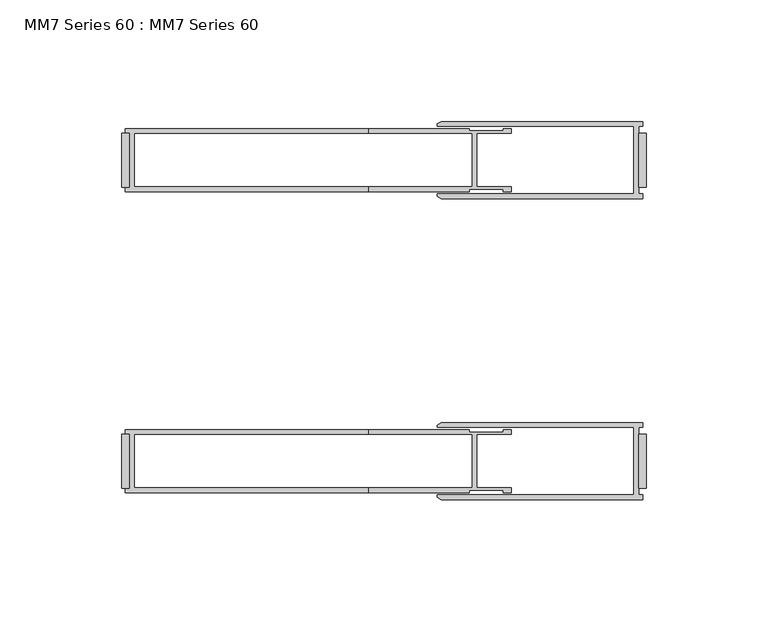
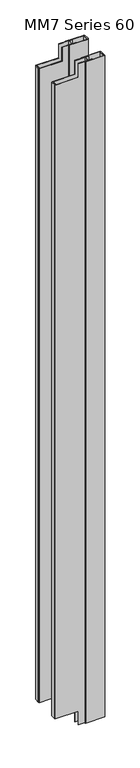
"""IFC4 building model written with IfcOpenShell, lengths in millimetres: proxy geometry, MM7 Series 60 : MM7 Series 60."""

from ifc_helpers import new_model, si_unit, frame, origin, origin_with_axes, place, context, project, spatial, polyline, outline, extrude, faceted_brep, source, transform, mapped, element, save


def mm7_series_60_mm7_series_60_6fed7f50(model_context):
    return source(origin(), model_context, "Body", "SolidModel", [
        extrude(outline(polyline([(-3.175, 50.8), (-3.175, 73.025), (0.0, 73.025), (0.0, 50.8), (-3.175, 50.8)])), origin_with_axes(), (0.0, 0.0, 1.0), 3048.0),
        extrude(outline(polyline([(-3.175, -50.8), (0.0, -50.8), (0.0, -73.025), (-3.175, -73.025), (-3.175, -50.8)])), origin_with_axes(), (0.0, 0.0, 1.0), 3048.0),
        extrude(outline(polyline([(-215.9, 50.8), (-215.9, 73.025), (-212.725, 73.025), (-212.725, 50.8), (-215.9, 50.8)])), frame((0.0, 0.0, 63.5), z_axis=(0.0, 0.0, 1.0), x_axis=(1.0, 0.0, 0.0)), (0.0, 0.0, 1.0), 2921.0),
        extrude(outline(polyline([(-212.725, -50.8), (-212.725, -73.025), (-215.9, -73.025), (-215.9, -50.8), (-212.725, -50.8)])), frame((0.0, 0.0, 63.5), z_axis=(0.0, 0.0, 1.0), x_axis=(1.0, 0.0, 0.0)), (0.0, 0.0, 1.0), 2921.0),
        faceted_brep([(-72.9257812, 48.9148437, 3048.0), (-72.9257812, 49.9070312, 3048.0), (-58.9359375, 49.9070312, 3048.0), (-58.9359375, 48.9148437, 3048.0), (-55.5625, 48.9148437, 3048.0), (-55.5625, 50.8992187, 3048.0), (-69.7507812, 50.8992187, 3048.0), (-69.7507812, 72.9257812, 3048.0), (-55.5625, 72.9257812, 3048.0), (-55.5625, 74.9101562, 3048.0), (-58.9359375, 74.9101562, 3048.0), (-58.9359375, 73.9179687, 3048.0), (-72.9257812, 73.9179687, 3048.0), (-72.9257812, 74.9101562, 3048.0), (-114.3, 74.9101562, 3048.0), (-114.3, 72.9257812, 3048.0), (-71.7351562, 72.9257812, 3048.0), (-71.7351562, 50.8992187, 3048.0), (-114.3, 50.8992187, 3048.0), (-114.3, 48.9148437, 3048.0), (-72.9257812, 74.9101562, 0.0), (-72.9257812, 73.9179687, 0.0), (-58.9359375, 73.9179687, 0.0), (-58.9359375, 74.9101562, 0.0), (-55.5625, 74.9101562, 0.0), (-55.5625, 72.9257812, 0.0), (-69.7507812, 72.9257812, 0.0), (-69.7507812, 50.8992187, 0.0), (-55.5625, 50.8992187, 0.0), (-55.5625, 48.9148437, 0.0), (-58.9359375, 48.9148437, 0.0), (-58.9359375, 49.9070312, 0.0), (-72.9257812, 49.9070312, 0.0), (-72.9257812, 48.9148437, 0.0), (-114.3, 48.9148437, 0.0), (-114.3, 50.8992187, 0.0), (-71.7351562, 50.8992187, 0.0), (-71.7351562, 72.9257812, 0.0), (-114.3, 72.9257812, 0.0), (-114.3, 74.9101562, 0.0), (-214.3125, 48.9148437, 2984.5), (-214.3125, 50.8706437, 2984.5), (-214.3125, 50.8706437, 63.5), (-214.3125, 48.9148437, 63.5), (-114.3, 48.9148437, 2984.5), (-114.3, 48.9148437, 63.5), (-114.3, 74.9101562, 63.5), (-214.3125, 74.9101562, 63.5), (-214.3125, 74.9101562, 2984.5), (-114.3, 74.9101562, 2984.5), (-214.3125, 72.9543562, 2984.5), (-214.3125, 72.9543562, 63.5), (-212.725, 72.9543562, 2984.5), (-212.725, 72.9543562, 63.5), (-212.725, 50.8706437, 2984.5), (-212.725, 50.8706437, 63.5), (-114.3, 72.9257812, 2984.5), (-210.740625, 72.9257812, 2984.5), (-210.740625, 72.9257812, 63.5), (-114.3, 72.9257812, 63.5), (-114.3, 50.8992187, 63.5), (-210.740625, 50.8992187, 63.5), (-210.740625, 50.8992187, 2984.5), (-114.3, 50.8992187, 2984.5)], [[[0, 1, 2, 3, 4, 5, 6, 7, 8, 9, 10, 11, 12, 13, 14, 15, 16, 17, 18, 19]], [[20, 21, 22, 23, 24, 25, 26, 27, 28, 29, 30, 31, 32, 33, 34, 35, 36, 37, 38, 39]], [[40, 41, 42, 43]], [[33, 0, 19, 44, 40, 43, 45, 34]], [[1, 0, 33, 32]], [[2, 1, 32, 31]], [[3, 2, 31, 30]], [[4, 3, 30, 29]], [[5, 4, 29, 28]], [[6, 5, 28, 27]], [[7, 6, 27, 26]], [[8, 7, 26, 25]], [[9, 8, 25, 24]], [[10, 9, 24, 23]], [[11, 10, 23, 22]], [[12, 11, 22, 21]], [[13, 12, 21, 20]], [[13, 20, 39, 46, 47, 48, 49, 14]], [[50, 48, 47, 51]], [[52, 50, 51, 53]], [[54, 52, 53, 55]], [[41, 54, 55, 42]], [[37, 16, 15, 56, 57, 58, 59, 38]], [[17, 16, 37, 36]], [[17, 36, 35, 60, 61, 62, 63, 18]], [[57, 62, 61, 58]], [[56, 49, 48, 50, 52, 54, 41, 40, 44, 63, 62, 57]], [[49, 56, 15, 14]], [[63, 44, 19, 18]], [[59, 46, 39, 38]], [[45, 60, 35, 34]], [[46, 59, 58, 61, 60, 45, 43, 42, 55, 53, 51, 47]]]),
        faceted_brep([(-72.9257812, -74.9101563, 3048.0), (-72.9257812, -73.9179688, 3048.0), (-58.9359375, -73.9179688, 3048.0), (-58.9359375, -74.9101563, 3048.0), (-55.5625, -74.9101563, 3048.0), (-55.5625, -72.9257813, 3048.0), (-69.7507812, -72.9257813, 3048.0), (-69.7507812, -50.8992188, 3048.0), (-55.5625, -50.8992188, 3048.0), (-55.5625, -48.9148438, 3048.0), (-58.9359375, -48.9148438, 3048.0), (-58.9359375, -49.9070313, 3048.0), (-72.9257812, -49.9070313, 3048.0), (-72.9257812, -48.9148438, 3048.0), (-114.3, -48.9148438, 3048.0), (-114.3, -50.8992188, 3048.0), (-71.7351562, -50.8992188, 3048.0), (-71.7351562, -72.9257813, 3048.0), (-114.3, -72.9257813, 3048.0), (-114.3, -74.9101563, 3048.0), (-72.9257812, -48.9148438, 0.0), (-72.9257812, -49.9070313, 0.0), (-58.9359375, -49.9070313, 0.0), (-58.9359375, -48.9148438, 0.0), (-55.5625, -48.9148438, 0.0), (-55.5625, -50.8992188, 0.0), (-69.7507812, -50.8992188, 0.0), (-69.7507812, -72.9257813, 0.0), (-55.5625, -72.9257813, 0.0), (-55.5625, -74.9101563, 0.0), (-58.9359375, -74.9101563, 0.0), (-58.9359375, -73.9179688, 0.0), (-72.9257812, -73.9179688, 0.0), (-72.9257812, -74.9101563, 0.0), (-114.3, -74.9101563, 0.0), (-114.3, -72.9257813, 0.0), (-71.7351562, -72.9257813, 0.0), (-71.7351562, -50.8992188, 0.0), (-114.3, -50.8992188, 0.0), (-114.3, -48.9148438, 0.0), (-214.3125, -74.9101563, 2984.5), (-214.3125, -72.9543563, 2984.5), (-214.3125, -72.9543563, 63.5), (-214.3125, -74.9101563, 63.5), (-114.3, -74.9101563, 2984.5), (-114.3, -74.9101563, 63.5), (-114.3, -48.9148438, 63.5), (-214.3125, -48.9148438, 63.5), (-214.3125, -48.9148438, 2984.5), (-114.3, -48.9148438, 2984.5), (-214.3125, -50.8706438, 2984.5), (-214.3125, -50.8706438, 63.5), (-212.725, -50.8706438, 2984.5), (-212.725, -50.8706438, 63.5), (-212.725, -72.9543563, 2984.5), (-212.725, -72.9543563, 63.5), (-114.3, -72.9257813, 63.5), (-210.740625, -72.9257813, 63.5), (-210.740625, -72.9257813, 2984.5), (-114.3, -72.9257813, 2984.5), (-210.740625, -50.8992188, 2984.5), (-210.740625, -50.8992188, 63.5), (-114.3, -50.8992188, 2984.5), (-114.3, -50.8992188, 63.5)], [[[0, 1, 2, 3, 4, 5, 6, 7, 8, 9, 10, 11, 12, 13, 14, 15, 16, 17, 18, 19]], [[20, 21, 22, 23, 24, 25, 26, 27, 28, 29, 30, 31, 32, 33, 34, 35, 36, 37, 38, 39]], [[40, 41, 42, 43]], [[33, 0, 19, 44, 40, 43, 45, 34]], [[1, 0, 33, 32]], [[2, 1, 32, 31]], [[3, 2, 31, 30]], [[4, 3, 30, 29]], [[5, 4, 29, 28]], [[6, 5, 28, 27]], [[7, 6, 27, 26]], [[8, 7, 26, 25]], [[9, 8, 25, 24]], [[10, 9, 24, 23]], [[11, 10, 23, 22]], [[12, 11, 22, 21]], [[13, 12, 21, 20]], [[13, 20, 39, 46, 47, 48, 49, 14]], [[50, 48, 47, 51]], [[52, 50, 51, 53]], [[54, 52, 53, 55]], [[41, 54, 55, 42]], [[17, 36, 35, 56, 57, 58, 59, 18]], [[60, 58, 57, 61]], [[37, 16, 15, 62, 60, 61, 63, 38]], [[17, 16, 37, 36]], [[44, 59, 58, 60, 62, 49, 48, 50, 52, 54, 41, 40]], [[59, 44, 19, 18]], [[49, 62, 15, 14]], [[45, 56, 35, 34]], [[63, 46, 39, 38]], [[56, 45, 43, 42, 55, 53, 51, 47, 46, 63, 61, 57]]]),
        extrude(outline(polyline([(-84.3041371, 77.7875), (-1.5875, 77.7875), (-1.5875, 75.803125), (-3.175, 75.803125), (-3.175, 48.021875), (-1.5875, 48.021875), (-1.5875, 46.0375), (-84.3041371, 46.0375), (-86.0226562, 47.0296875), (-86.0226562, 48.021875), (-5.159375, 48.021875), (-5.159375, 75.803125), (-86.0226562, 75.803125), (-86.0226562, 76.7953125), (-84.3041371, 77.7875)])), origin_with_axes(), (0.0, 0.0, 1.0), 3048.0),
        extrude(outline(polyline([(-84.3041371, -46.0375), (-1.5875, -46.0375), (-1.5875, -48.021875), (-3.175, -48.021875), (-3.175, -75.803125), (-1.5875, -75.803125), (-1.5875, -77.7875), (-84.3041371, -77.7875), (-86.0226562, -76.7953125), (-86.0226562, -75.803125), (-5.159375, -75.803125), (-5.159375, -48.021875), (-86.0226562, -48.021875), (-86.0226562, -47.0296875), (-84.3041371, -46.0375)])), origin_with_axes(), (0.0, 0.0, 1.0), 3048.0),
    ])


if __name__ == "__main__":
    model = new_model("IFC4")
    model_context = context("Model", 3, world=origin())
    ifc_project = project(units=[si_unit("LENGTHUNIT", "METRE", prefix="MILLI")], contexts=[model_context])
    site = spatial("IfcSite", under=ifc_project)
    building = spatial("IfcBuilding", under=site)
    placement = place(None, origin())
    mm7_series_60_mm7_series_60_shape = mm7_series_60_mm7_series_60_6fed7f50(model_context)
    element("IfcBuildingElementProxy", 1, Name="MM7 Series 60 : MM7 Series 60", ObjectType="MM7 Series 60 : MM7 Series 60", at=placement, inside=building, context=model_context, shape_type="MappedRepresentation", body=[
        mapped(mm7_series_60_mm7_series_60_shape, transform((0.0, 0.0, 0.0), x_axis=(1.0, 0.0, 0.0), y_axis=(0.0, 1.0, 0.0), z_axis=(0.0, 0.0, 1.0))),
    ])
    save(model, "model.ifc")
